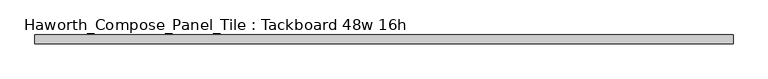
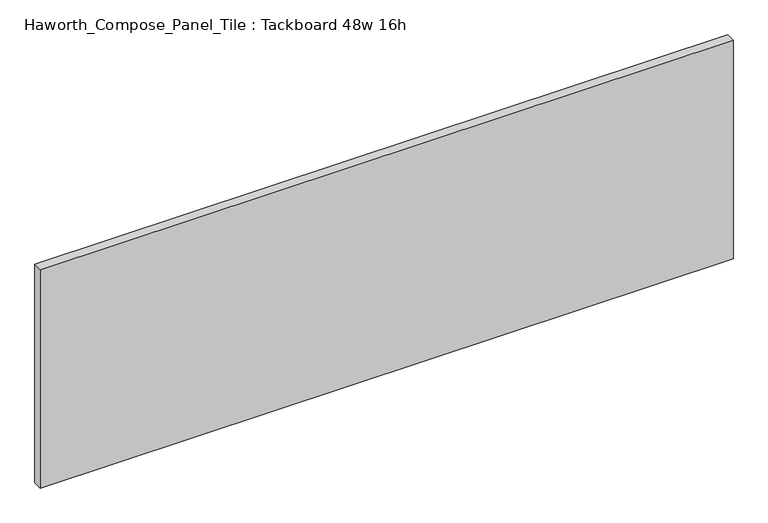
"""IFC4 building model written with IfcOpenShell, lengths in millimetres: furniture geometry, Haworth_Compose_Panel_Tile : Tackboard 48w 16h."""

import ifcopenshell
import ifcopenshell.guid

model = None  # the IFC model being written
_history = None  # IfcOwnerHistory: only IFC2X3 demands one
_inside = {}  # id of a spatial element -> (the spatial element, [elements in it])
_under = {}  # id of a project, library or spatial element -> (it, [spatial elements below it])
_declared = {}  # id of a project -> (the project, [libraries it declares])
_typed = {}  # id of a type object -> (the type object, [elements of that type])
_made_of = {}  # id of a material, layer set ... -> (it, [elements and type objects made of it])


def new_model(schema):
    """Start an empty IFC model of exactly this schema.

    Asked for "IFC4X3", IfcOpenShell would pick the latest addendum, in which some entities
    have other attributes; the version numbers below select the first issue.
    IFC2X3 requires an IfcOwnerHistory on every rooted entity: one is made here for all.
    """
    global model, _history
    if schema == "IFC4X3":
        model = ifcopenshell.file(schema_version=(4, 3, 0, 0))
    else:
        model = ifcopenshell.file(schema=schema)
    _inside.clear()
    _under.clear()
    _declared.clear()
    _typed.clear()
    _made_of.clear()
    _history = None
    if model.schema == "IFC2X3":
        org = make("IfcOrganization", Name="unknown")
        user = make(
            "IfcPersonAndOrganization",
            ThePerson=make("IfcPerson", FamilyName="unknown"),
            TheOrganization=org,
        )
        app = make(
            "IfcApplication",
            ApplicationDeveloper=org,
            Version="unknown",
            ApplicationFullName="unknown",
            ApplicationIdentifier="unknown",
        )
        _history = make(
            "IfcOwnerHistory",
            OwningUser=user,
            OwningApplication=app,
            ChangeAction="ADDED",
            CreationDate=0,
        )
    return model


def make(cls, **values):
    """One entity of the class cls with the attributes given. An attribute that is None is left unset."""
    return model.create_entity(
        cls, **{name: value for name, value in values.items() if value is not None}
    )


def rooted(cls, **values):
    """An entity with a GlobalId (a new one), such as an element, a storey or a relation."""
    return make(cls, GlobalId=ifcopenshell.guid.new(), OwnerHistory=_history, **values)


def si_unit(unit_type, name, prefix=None):
    """IfcSIUnit, for example si_unit("LENGTHUNIT", "METRE", prefix="MILLI")."""
    return make("IfcSIUnit", UnitType=unit_type, Prefix=prefix, Name=name)


def assignment(units):
    """IfcUnitAssignment: the units of a project."""
    return None if units is None else make("IfcUnitAssignment", Units=units)


def point(xyz):
    """IfcCartesianPoint."""
    return None if xyz is None else make("IfcCartesianPoint", Coordinates=xyz)


def direction(xyz):
    """IfcDirection."""
    return None if xyz is None else make("IfcDirection", DirectionRatios=xyz)


def frame(location, z_axis=None, x_axis=None):
    """IfcAxis2Placement3D, a coordinate frame: its origin and axes. An axis left out is left unset."""
    return make(
        "IfcAxis2Placement3D",
        Location=point(location),
        Axis=direction(z_axis),
        RefDirection=direction(x_axis),
    )


def origin():
    """The frame at (0, 0, 0) with its axes left unset."""
    return frame((0.0, 0.0, 0.0))


def place(relative_to, where):
    """IfcLocalPlacement: puts the frame where relative to a parent placement (None: the world)."""
    return make(
        "IfcLocalPlacement", PlacementRelTo=relative_to, RelativePlacement=where
    )


def context(
    kind, dimensions, precision=None, world=None, true_north=None, identifier=None
):
    """IfcGeometricRepresentationContext, for example the 3D "Model" context."""
    return make(
        "IfcGeometricRepresentationContext",
        ContextIdentifier=identifier,
        ContextType=kind,
        CoordinateSpaceDimension=dimensions,
        Precision=precision,
        WorldCoordinateSystem=world,
        TrueNorth=true_north,
    )


def project(units=None, contexts=None):
    """IfcProject with its units and contexts."""
    return rooted(
        "IfcProject",
        Name="project",
        RepresentationContexts=contexts,
        UnitsInContext=assignment(units),
    )


def spatial(cls, under=None, at=None, **own):
    """A site, building, storey or space (cls), placed at a placement, below another one or the project."""
    s = rooted(cls, ObjectPlacement=at, **own)
    if under is not None:
        _under.setdefault(under.id(), (under, []))[1].append(s)
    return s


def polyline(points):
    """IfcPolyline through the points."""
    return make("IfcPolyline", Points=[point(p) for p in points])


def outline(outer, holes=None, kind="AREA"):
    """IfcArbitraryClosedProfileDef: a profile drawn as a closed curve; with holes, ...WithVoids."""
    if holes is None:
        return make("IfcArbitraryClosedProfileDef", ProfileType=kind, OuterCurve=outer)
    return make(
        "IfcArbitraryProfileDefWithVoids",
        ProfileType=kind,
        OuterCurve=outer,
        InnerCurves=holes,
    )


def extrude(swept, where, along, depth):
    """IfcExtrudedAreaSolid: the profile swept, set in the frame where, extruded along a direction by depth."""
    return make(
        "IfcExtrudedAreaSolid",
        SweptArea=swept,
        Position=where,
        ExtrudedDirection=direction(along),
        Depth=depth,
    )


def shape(context_of_items, identifier, shape_type, items):
    """IfcShapeRepresentation: the items that make up one representation, for example the "Body"."""
    return make(
        "IfcShapeRepresentation",
        ContextOfItems=context_of_items,
        RepresentationIdentifier=identifier,
        RepresentationType=shape_type,
        Items=items,
    )


def source(mapping_origin, context_of_items, identifier, shape_type, items):
    """IfcRepresentationMap: a shape defined once, which mapped items show again and again."""
    return make(
        "IfcRepresentationMap",
        MappingOrigin=mapping_origin,
        MappedRepresentation=shape(context_of_items, identifier, shape_type, items),
    )


def transform(
    local_origin,
    x_axis=None,
    y_axis=None,
    z_axis=None,
    scale=None,
    scale2=None,
    scale3=None,
    uniform=True,
):
    """IfcCartesianTransformationOperator3D, or its non-uniform kind. x_axis, y_axis, z_axis: its Axis1, 2, 3."""
    if uniform:
        return make(
            "IfcCartesianTransformationOperator3D",
            Axis1=direction(x_axis),
            Axis2=direction(y_axis),
            LocalOrigin=point(local_origin),
            Scale=scale,
            Axis3=direction(z_axis),
        )
    return make(
        "IfcCartesianTransformationOperator3DnonUniform",
        Axis1=direction(x_axis),
        Axis2=direction(y_axis),
        LocalOrigin=point(local_origin),
        Scale=scale,
        Axis3=direction(z_axis),
        Scale2=scale2,
        Scale3=scale3,
    )


def mapped(mapping_source, mapping_target):
    """IfcMappedItem: shows the shape of a source again, moved by a transform."""
    return make(
        "IfcMappedItem", MappingSource=mapping_source, MappingTarget=mapping_target
    )


def made_of(thing, what):
    """Note that an element or type object is made of a material, layer set ...; save() writes the relation."""
    if what is not None:
        _made_of.setdefault(what.id(), (what, []))[1].append(thing)
    return thing


def element(
    cls,
    number,
    at=None,
    inside=None,
    cuts=None,
    type_object=None,
    material=None,
    context=None,
    identifier="Body",
    shape_type=None,
    held_by="IfcProductDefinitionShape",
    body=None,
    shapes=None,
    **own,
):
    """One element of the class cls, such as IfcWall. Its Tag is "e" and its number.

    at: its placement. inside: the storey or other place that contains it. cuts: it is an
    opening in that element (IfcRelVoidsElement). A single representation is given by context,
    identifier, shape_type and body (its items); several are given by shapes. held_by: the class
    of the entity that holds the representations. save() writes the other relations.
    """
    e = rooted(cls, Tag="e%d" % number, ObjectPlacement=at, **own)
    if body is not None:
        shapes = [shape(context, identifier, shape_type, body)]
    if shapes is not None:
        e.Representation = make(held_by, Representations=shapes)
    if inside is not None:
        _inside.setdefault(inside.id(), (inside, []))[1].append(e)
    if cuts is not None:
        rooted(
            "IfcRelVoidsElement", RelatingBuildingElement=cuts, RelatedOpeningElement=e
        )
    if type_object is not None:
        _typed.setdefault(type_object.id(), (type_object, []))[1].append(e)
    return made_of(e, material)


def aggregate(whole, parts):
    """IfcRelAggregates: a whole, such as a stair, and the parts it consists of."""
    return rooted("IfcRelAggregates", RelatingObject=whole, RelatedObjects=parts)


def save(model, path):
    """Write the relations noted so far, then the file.

    IfcRelAggregates (storeys below a building ...), IfcRelContainedInSpatialStructure (elements
    in a storey), IfcRelDefinesByType, IfcRelAssociatesMaterial and IfcRelDeclares: one each for
    every whole, place, type object, material and project.
    """
    for whole, parts in _under.values():
        aggregate(whole, parts)
    for where, things in _inside.values():
        rooted(
            "IfcRelContainedInSpatialStructure",
            RelatedElements=things,
            RelatingStructure=where,
        )
    for kind, things in _typed.values():
        rooted("IfcRelDefinesByType", RelatedObjects=things, RelatingType=kind)
    for what, things in _made_of.values():
        rooted("IfcRelAssociatesMaterial", RelatedObjects=things, RelatingMaterial=what)
    for by, libraries in _declared.values():
        rooted("IfcRelDeclares", RelatingContext=by, RelatedDefinitions=libraries)
    model.write(path)


def haworth_compose_panel_tile_tackboard_48w_16h_d5e81ac9(model_context):
    return source(origin(), model_context, "Body", "SweptSolid", [
        extrude(outline(polyline([(612.0402902, -28.8968594), (-607.1597098, -28.8968594), (-607.1597098, -13.0218594), (612.0402902, -13.0218594), (612.0402902, -28.8968594)])), frame((0.0, 0.0, 1066.8), z_axis=(0.0, 0.0, 1.0), x_axis=(1.0, 0.0, 0.0)), (0.0, 0.0, 1.0), 406.4),
    ])


if __name__ == "__main__":
    model = new_model("IFC4")
    model_context = context("Model", 3, world=origin())
    ifc_project = project(units=[si_unit("LENGTHUNIT", "METRE", prefix="MILLI")], contexts=[model_context])
    site = spatial("IfcSite", under=ifc_project)
    building = spatial("IfcBuilding", under=site)
    placement = place(None, origin())
    haworth_compose_panel_tile_tackboard_48w_16h_shape = haworth_compose_panel_tile_tackboard_48w_16h_d5e81ac9(model_context)
    element("IfcFurniture", 1, ObjectType="Haworth_Compose_Panel_Tile : Tackboard 48w 16h", at=placement, inside=building, context=model_context, shape_type="MappedRepresentation", body=[
        mapped(haworth_compose_panel_tile_tackboard_48w_16h_shape, transform((0.0, 0.0, 0.0), x_axis=(1.0, 0.0, 0.0), y_axis=(0.0, 1.0, 0.0), z_axis=(0.0, 0.0, 1.0))),
    ])
    save(model, "model.ifc")
